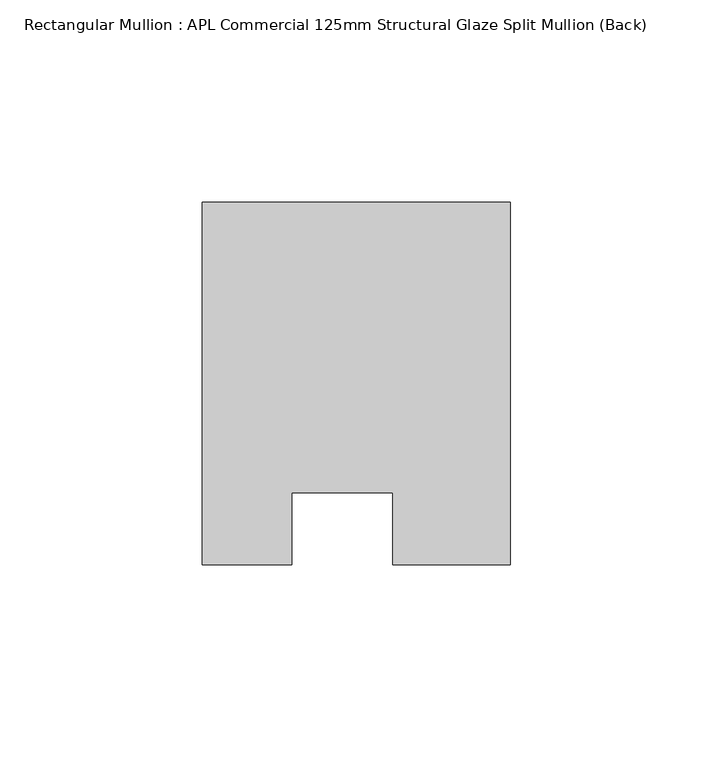
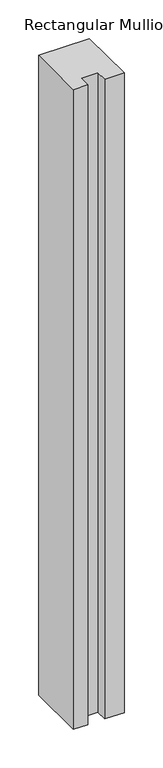
"""IFC4 building model written with IfcOpenShell, lengths in millimetres: member geometry, Rectangular Mullion : APL Commercial 125mm Structural Glaze Split Mullion (Back)."""

from ifc_helpers import new_model, si_unit, frame, origin, place, context, project, spatial, polyline, outline, extrude, source, transform, mapped, element, save


def rectangular_mullion_apl_commercial_125mm_structural_glaze_591c7ff6(model_context):
    return source(origin(), model_context, "Body", "SweptSolid", [
        extrude(outline(polyline([(37.9999914, 104.4960123), (37.9999914, 14.9960123), (9.0, 14.9960123), (9.0, 32.7960123), (-16.0, 32.7960123), (-16.0, 14.9960123), (-37.9999896, 14.9960123), (-37.9999896, 104.4960123), (37.9999914, 104.4960123)])), frame((0.0, 0.0, -1010.846948), z_axis=(0.0, 0.0, 1.0), x_axis=(1.0, 0.0, 0.0)), (0.0, 0.0, 1.0), 1010.846948),
    ])


if __name__ == "__main__":
    model = new_model("IFC4")
    model_context = context("Model", 3, world=origin())
    ifc_project = project(units=[si_unit("LENGTHUNIT", "METRE", prefix="MILLI")], contexts=[model_context])
    site = spatial("IfcSite", under=ifc_project)
    building = spatial("IfcBuilding", under=site)
    placement = place(None, origin())
    rectangular_mullion_apl_commercial_125mm_structural_glaze_shape = rectangular_mullion_apl_commercial_125mm_structural_glaze_591c7ff6(model_context)
    element("IfcMember", 1, ObjectType="Rectangular Mullion : APL Commercial 125mm Structural Glaze Split Mullion (Back)", at=placement, inside=building, context=model_context, shape_type="MappedRepresentation", body=[
        mapped(rectangular_mullion_apl_commercial_125mm_structural_glaze_shape, transform((0.0, 0.0, 0.0), x_axis=(1.0, 0.0, 0.0), y_axis=(0.0, 1.0, 0.0), z_axis=(0.0, 0.0, 1.0))),
    ])
    save(model, "model.ifc")
